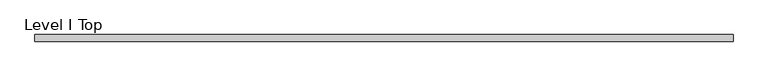
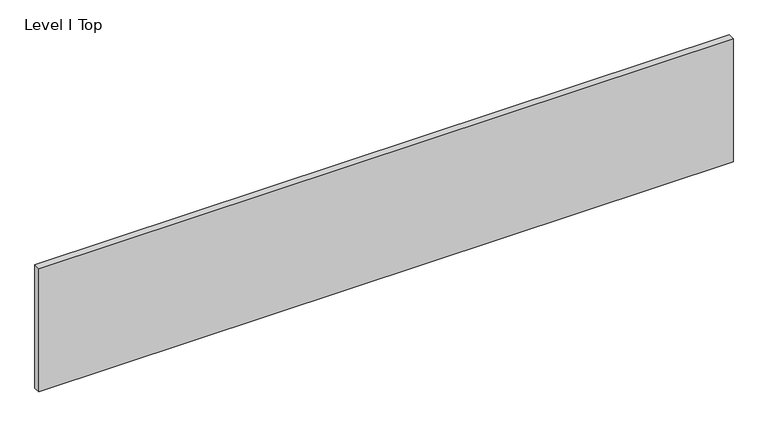
"""IFC4 building model written with IfcOpenShell, lengths in millimetres: proxy geometry, Level I Top."""

from ifc_helpers import new_model, si_unit, frame, origin, place, context, project, spatial, polyline, outline, extrude, source, transform, mapped, element, save


def level_i_top_b0ef9d30(model_context):
    return source(origin(), model_context, "Body", "SweptSolid", [
        extrude(outline(polyline([(998.8407125, -9.525), (-998.8407125, -9.525), (-998.8407125, 9.525), (998.8407125, 9.525), (998.8407125, -9.525)])), frame((0.0, 0.0, 3.175), z_axis=(0.0, 0.0, 1.0), x_axis=(1.0, 0.0, 0.0)), (0.0, 0.0, 1.0), 374.65),
    ])


if __name__ == "__main__":
    model = new_model("IFC4")
    model_context = context("Model", 3, world=origin())
    ifc_project = project(units=[si_unit("LENGTHUNIT", "METRE", prefix="MILLI")], contexts=[model_context])
    site = spatial("IfcSite", under=ifc_project)
    building = spatial("IfcBuilding", under=site)
    placement = place(None, origin())
    level_i_top_shape = level_i_top_b0ef9d30(model_context)
    element("IfcBuildingElementProxy", 1, Name="Level I Top", ObjectType="Level I Top", at=placement, inside=building, context=model_context, shape_type="MappedRepresentation", body=[
        mapped(level_i_top_shape, transform((0.0, 0.0, 0.0), x_axis=(1.0, 0.0, 0.0), y_axis=(0.0, 1.0, 0.0), z_axis=(0.0, 0.0, 1.0))),
    ])
    save(model, "model.ifc")
